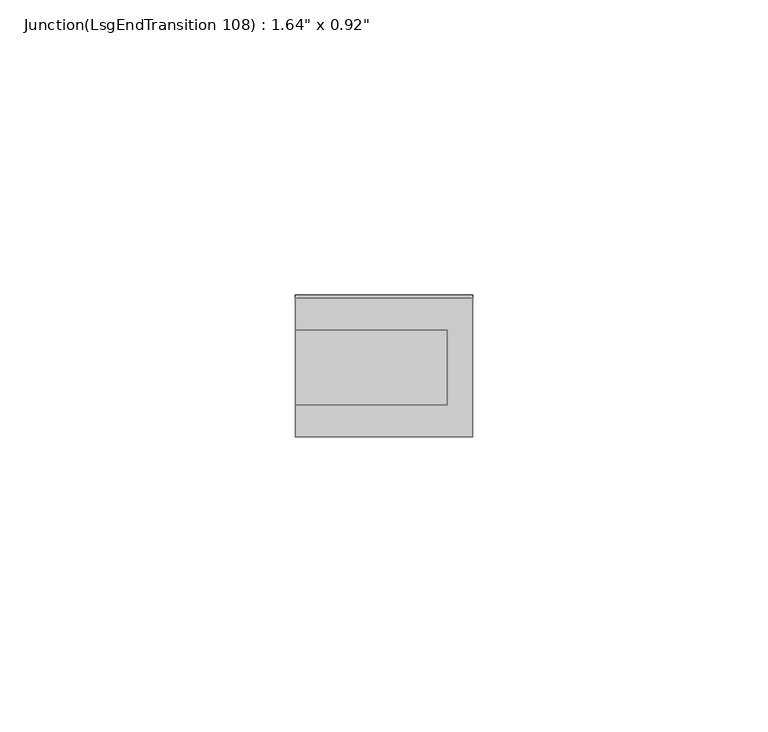
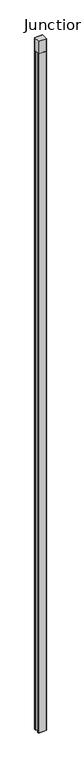
"""IFC4 building model written with IfcOpenShell, lengths in millimetres: furniture geometry."""

from ifc_helpers import new_model, si_unit, origin, place, context, project, spatial, triangles, source, transform, mapped, element, save


def furniture_f4ec2045(model_context):
    return source(origin(), model_context, "Body", "Tessellation", [
        triangles([(-29.99687, 11.7476375, 2693.187355), (0.0005271, 11.7476364, 2693.187355), (-29.99687, 11.7476375, 0.0), (0.0005271, 11.7476364, 0.0), (-29.99687, 6.350137, 2693.187355), (-29.99687, 6.350137, 0.0), (-4.3174719, 6.3501353, 2693.187355), (-4.3174719, 6.3501353, 0.0), (-4.3174736, -6.3498622, 2693.187355), (-4.3174736, -6.3498622, 0.0), (-29.9968722, -6.3498605, 2693.187355), (-29.9968722, -6.3498605, 0.0), (-29.9968722, -11.7473605, 2693.187355), (-29.9968722, -11.7473605, 0.0), (0.0005253, -11.7473616, 0.0), (0.0005253, -11.7473616, 2693.187355), (-29.99687, 11.7476375, 2743.2), (0.0005271, 11.7476364, 2743.2), (-29.9968722, -11.7473605, 2743.2), (0.0005253, -11.7473616, 2743.2)], [[1, 2, 3], [2, 4, 3], [5, 1, 6], [1, 3, 6], [7, 5, 8], [5, 6, 8], [9, 7, 10], [7, 8, 10], [11, 9, 12], [9, 10, 12], [13, 11, 14], [11, 12, 14], [8, 15, 10], [8, 4, 15], [8, 3, 4], [8, 6, 3], [12, 15, 14], [12, 10, 15], [16, 9, 11], [13, 16, 11], [1, 5, 7], [2, 1, 7], [16, 2, 7], [9, 16, 7], [16, 13, 15], [13, 14, 15], [2, 16, 4], [16, 15, 4], [2, 1, 17], [2, 17, 18], [1, 13, 19], [1, 19, 17], [1, 2, 16], [1, 16, 13], [19, 20, 18], [19, 18, 17], [13, 16, 20], [13, 20, 19], [16, 2, 18], [16, 18, 20]], closed=False),
    ])


if __name__ == "__main__":
    model = new_model("IFC4")
    model_context = context("Model", 3, world=origin())
    ifc_project = project(units=[si_unit("LENGTHUNIT", "METRE", prefix="MILLI")], contexts=[model_context])
    site = spatial("IfcSite", under=ifc_project)
    building = spatial("IfcBuilding", under=site)
    placement = place(None, origin())
    furniture_shape = furniture_f4ec2045(model_context)
    element("IfcFurniture", 1, ObjectType="Junction(LsgEndTransition 108) : 1.64\" x 0.92\"", at=placement, inside=building, context=model_context, shape_type="MappedRepresentation", body=[
        mapped(furniture_shape, transform((0.0, 0.0, 0.0), x_axis=(1.0, 0.0, 0.0), y_axis=(0.0, 1.0, 0.0), z_axis=(0.0, 0.0, 1.0))),
    ])
    save(model, "model.ifc")
